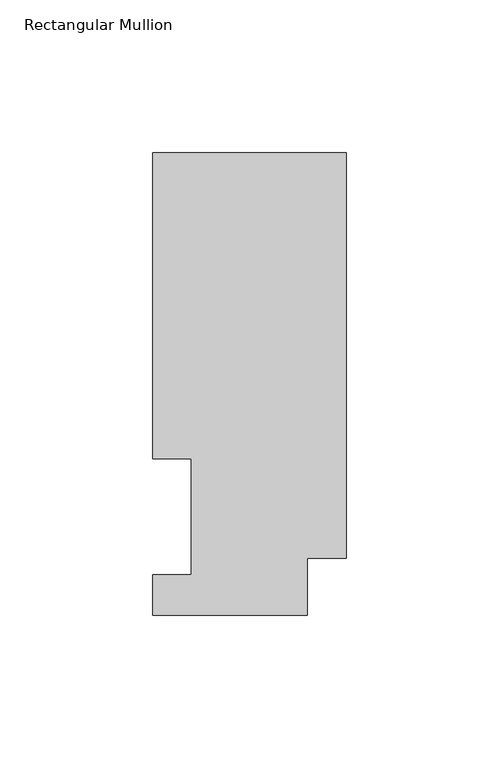
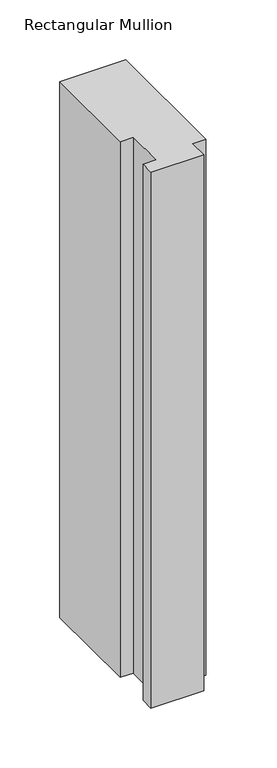
"""IFC4 building model written with IfcOpenShell, lengths in millimetres: member geometry, Rectangular Mullion."""

from ifc_helpers import new_model, si_unit, frame, origin, place, context, project, spatial, polyline, outline, extrude, source, transform, mapped, element, save


def rectangular_mullion_c2773ad3(model_context):
    return source(origin(), model_context, "Body", "SweptSolid", [
        extrude(outline(polyline([(-63.5, 151.7022937), (0.0, 151.7022937), (0.0, 18.7332937), (-12.7, 18.7332937), (-12.7, 0.0134937), (-63.5, 0.0134937), (-63.5, 13.1960938), (-50.8, 13.1960938), (-50.8, 51.2960938), (-63.5, 51.2960937), (-63.5, 151.7022937)])), frame((0.0, 0.0, -545.3169756), z_axis=(0.0, 0.0, 1.0), x_axis=(1.0, 0.0, 0.0)), (0.0, 0.0, 1.0), 545.3169756),
    ])


if __name__ == "__main__":
    model = new_model("IFC4")
    model_context = context("Model", 3, world=origin())
    ifc_project = project(units=[si_unit("LENGTHUNIT", "METRE", prefix="MILLI")], contexts=[model_context])
    site = spatial("IfcSite", under=ifc_project)
    building = spatial("IfcBuilding", under=site)
    placement = place(None, origin())
    rectangular_mullion_shape = rectangular_mullion_c2773ad3(model_context)
    element("IfcMember", 1, ObjectType="Rectangular Mullion", at=placement, inside=building, context=model_context, shape_type="MappedRepresentation", body=[
        mapped(rectangular_mullion_shape, transform((0.0, 0.0, 0.0), x_axis=(1.0, 0.0, 0.0), y_axis=(0.0, 1.0, 0.0), z_axis=(0.0, 0.0, 1.0))),
    ])
    save(model, "model.ifc")
